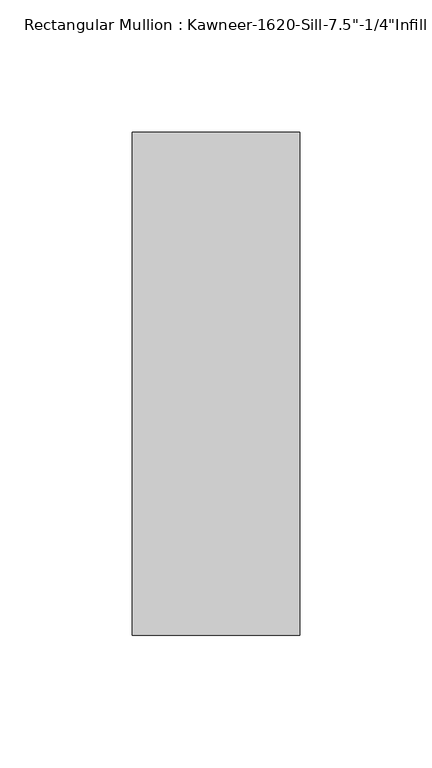
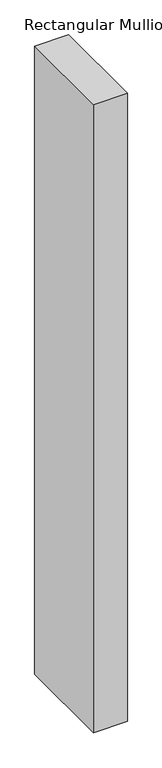
"""IFC4 building model written with IfcOpenShell, lengths in millimetres: member geometry."""

from ifc_helpers import new_model, si_unit, frame, origin, place, context, project, spatial, polyline, outline, extrude, source, transform, mapped, element, save


def member_dcbeb8a7(model_context):
    return source(origin(), model_context, "Body", "SweptSolid", [
        extrude(outline(polyline([(-63.5, 28.575), (0.0, 28.575), (0.0, -161.925), (-63.5, -161.925), (-63.5, 28.575)])), frame((0.0, 0.0, -1244.0690081), z_axis=(0.0, 0.0, 1.0), x_axis=(1.0, 0.0, 0.0)), (0.0, 0.0, 1.0), 1244.0690081),
    ])


if __name__ == "__main__":
    model = new_model("IFC4")
    model_context = context("Model", 3, world=origin())
    ifc_project = project(units=[si_unit("LENGTHUNIT", "METRE", prefix="MILLI")], contexts=[model_context])
    site = spatial("IfcSite", under=ifc_project)
    building = spatial("IfcBuilding", under=site)
    placement = place(None, origin())
    member_shape = member_dcbeb8a7(model_context)
    element("IfcMember", 1, ObjectType="Rectangular Mullion : Kawneer-1620-Sill-7.5\"-1/4\"Infill", at=placement, inside=building, context=model_context, shape_type="MappedRepresentation", body=[
        mapped(member_shape, transform((0.0, 0.0, 0.0), x_axis=(1.0, 0.0, 0.0), y_axis=(0.0, 1.0, 0.0), z_axis=(0.0, 0.0, 1.0))),
    ])
    save(model, "model.ifc")
